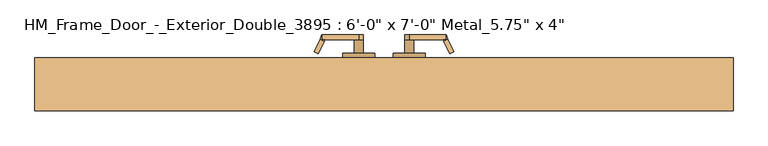
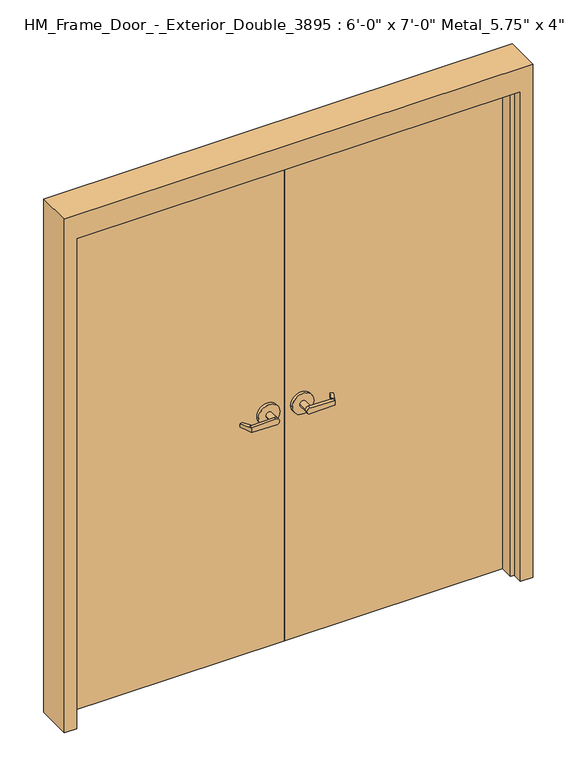
"""IFC4 building model written with IfcOpenShell, lengths in millimetres: door geometry."""

import ifcopenshell
import ifcopenshell.guid

model = None  # the IFC model being written
_history = None  # IfcOwnerHistory: only IFC2X3 demands one
_inside = {}  # id of a spatial element -> (the spatial element, [elements in it])
_under = {}  # id of a project, library or spatial element -> (it, [spatial elements below it])
_declared = {}  # id of a project -> (the project, [libraries it declares])
_typed = {}  # id of a type object -> (the type object, [elements of that type])
_made_of = {}  # id of a material, layer set ... -> (it, [elements and type objects made of it])


def new_model(schema):
    """Start an empty IFC model of exactly this schema.

    Asked for "IFC4X3", IfcOpenShell would pick the latest addendum, in which some entities
    have other attributes; the version numbers below select the first issue.
    IFC2X3 requires an IfcOwnerHistory on every rooted entity: one is made here for all.
    """
    global model, _history
    if schema == "IFC4X3":
        model = ifcopenshell.file(schema_version=(4, 3, 0, 0))
    else:
        model = ifcopenshell.file(schema=schema)
    _inside.clear()
    _under.clear()
    _declared.clear()
    _typed.clear()
    _made_of.clear()
    _history = None
    if model.schema == "IFC2X3":
        org = make("IfcOrganization", Name="unknown")
        user = make(
            "IfcPersonAndOrganization",
            ThePerson=make("IfcPerson", FamilyName="unknown"),
            TheOrganization=org,
        )
        app = make(
            "IfcApplication",
            ApplicationDeveloper=org,
            Version="unknown",
            ApplicationFullName="unknown",
            ApplicationIdentifier="unknown",
        )
        _history = make(
            "IfcOwnerHistory",
            OwningUser=user,
            OwningApplication=app,
            ChangeAction="ADDED",
            CreationDate=0,
        )
    return model


def make(cls, **values):
    """One entity of the class cls with the attributes given. An attribute that is None is left unset."""
    return model.create_entity(
        cls, **{name: value for name, value in values.items() if value is not None}
    )


def rooted(cls, **values):
    """An entity with a GlobalId (a new one), such as an element, a storey or a relation."""
    return make(cls, GlobalId=ifcopenshell.guid.new(), OwnerHistory=_history, **values)


def si_unit(unit_type, name, prefix=None):
    """IfcSIUnit, for example si_unit("LENGTHUNIT", "METRE", prefix="MILLI")."""
    return make("IfcSIUnit", UnitType=unit_type, Prefix=prefix, Name=name)


def assignment(units):
    """IfcUnitAssignment: the units of a project."""
    return None if units is None else make("IfcUnitAssignment", Units=units)


def point(xyz):
    """IfcCartesianPoint."""
    return None if xyz is None else make("IfcCartesianPoint", Coordinates=xyz)


def direction(xyz):
    """IfcDirection."""
    return None if xyz is None else make("IfcDirection", DirectionRatios=xyz)


def frame(location, z_axis=None, x_axis=None):
    """IfcAxis2Placement3D, a coordinate frame: its origin and axes. An axis left out is left unset."""
    return make(
        "IfcAxis2Placement3D",
        Location=point(location),
        Axis=direction(z_axis),
        RefDirection=direction(x_axis),
    )


def origin():
    """The frame at (0, 0, 0) with its axes left unset."""
    return frame((0.0, 0.0, 0.0))


def origin_with_axes():
    """The frame at (0, 0, 0) with the z axis (0, 0, 1) and the x axis (1, 0, 0) written out."""
    return frame((0.0, 0.0, 0.0), z_axis=(0.0, 0.0, 1.0), x_axis=(1.0, 0.0, 0.0))


def place(relative_to, where):
    """IfcLocalPlacement: puts the frame where relative to a parent placement (None: the world)."""
    return make(
        "IfcLocalPlacement", PlacementRelTo=relative_to, RelativePlacement=where
    )


def context(
    kind, dimensions, precision=None, world=None, true_north=None, identifier=None
):
    """IfcGeometricRepresentationContext, for example the 3D "Model" context."""
    return make(
        "IfcGeometricRepresentationContext",
        ContextIdentifier=identifier,
        ContextType=kind,
        CoordinateSpaceDimension=dimensions,
        Precision=precision,
        WorldCoordinateSystem=world,
        TrueNorth=true_north,
    )


def project(units=None, contexts=None):
    """IfcProject with its units and contexts."""
    return rooted(
        "IfcProject",
        Name="project",
        RepresentationContexts=contexts,
        UnitsInContext=assignment(units),
    )


def spatial(cls, under=None, at=None, **own):
    """A site, building, storey or space (cls), placed at a placement, below another one or the project."""
    s = rooted(cls, ObjectPlacement=at, **own)
    if under is not None:
        _under.setdefault(under.id(), (under, []))[1].append(s)
    return s


def polyline(points):
    """IfcPolyline through the points."""
    return make("IfcPolyline", Points=[point(p) for p in points])


def circle_curve(where, radius):
    """IfcCircle in the frame where."""
    return make("IfcCircle", Position=where, Radius=radius)


def outline(outer, holes=None, kind="AREA"):
    """IfcArbitraryClosedProfileDef: a profile drawn as a closed curve; with holes, ...WithVoids."""
    if holes is None:
        return make("IfcArbitraryClosedProfileDef", ProfileType=kind, OuterCurve=outer)
    return make(
        "IfcArbitraryProfileDefWithVoids",
        ProfileType=kind,
        OuterCurve=outer,
        InnerCurves=holes,
    )


def extrude(swept, where, along, depth):
    """IfcExtrudedAreaSolid: the profile swept, set in the frame where, extruded along a direction by depth."""
    return make(
        "IfcExtrudedAreaSolid",
        SweptArea=swept,
        Position=where,
        ExtrudedDirection=direction(along),
        Depth=depth,
    )


def faces_of(points, faces, orient=None, outer=None):
    """IfcFace entities. A face is a list of loops; a loop is a list of indices into points, from 0.

    orient and outer hold one flag for each loop. By default every Orientation is true, the
    first loop of a face is its IfcFaceOuterBound and the others are IfcFaceBound.
    """
    made = []
    for i, loops in enumerate(faces):
        bounds = []
        for j, loop in enumerate(loops):
            is_outer = j == 0 if outer is None else outer[i][j]
            bounds.append(
                make(
                    "IfcFaceOuterBound" if is_outer else "IfcFaceBound",
                    Bound=make("IfcPolyLoop", Polygon=[points[k] for k in loop]),
                    Orientation=True if orient is None else orient[i][j],
                )
            )
        made.append(make("IfcFace", Bounds=bounds))
    return made


def faceted_brep(points, faces, orient=None, outer=None, voids=None):
    """IfcFacetedBrep: a solid bounded by flat faces; with voids (closed shells), ...WithVoids."""
    shared = [point(p) for p in points]
    hull = make("IfcClosedShell", CfsFaces=faces_of(shared, faces, orient, outer))
    if voids is None:
        return make("IfcFacetedBrep", Outer=hull)
    return make(
        "IfcFacetedBrepWithVoids",
        Outer=hull,
        Voids=[
            make(cls, CfsFaces=faces_of(shared, fs, o, b)) for cls, fs, o, b in voids
        ],
    )


def shape(context_of_items, identifier, shape_type, items):
    """IfcShapeRepresentation: the items that make up one representation, for example the "Body"."""
    return make(
        "IfcShapeRepresentation",
        ContextOfItems=context_of_items,
        RepresentationIdentifier=identifier,
        RepresentationType=shape_type,
        Items=items,
    )


def source(mapping_origin, context_of_items, identifier, shape_type, items):
    """IfcRepresentationMap: a shape defined once, which mapped items show again and again."""
    return make(
        "IfcRepresentationMap",
        MappingOrigin=mapping_origin,
        MappedRepresentation=shape(context_of_items, identifier, shape_type, items),
    )


def transform(
    local_origin,
    x_axis=None,
    y_axis=None,
    z_axis=None,
    scale=None,
    scale2=None,
    scale3=None,
    uniform=True,
):
    """IfcCartesianTransformationOperator3D, or its non-uniform kind. x_axis, y_axis, z_axis: its Axis1, 2, 3."""
    if uniform:
        return make(
            "IfcCartesianTransformationOperator3D",
            Axis1=direction(x_axis),
            Axis2=direction(y_axis),
            LocalOrigin=point(local_origin),
            Scale=scale,
            Axis3=direction(z_axis),
        )
    return make(
        "IfcCartesianTransformationOperator3DnonUniform",
        Axis1=direction(x_axis),
        Axis2=direction(y_axis),
        LocalOrigin=point(local_origin),
        Scale=scale,
        Axis3=direction(z_axis),
        Scale2=scale2,
        Scale3=scale3,
    )


def mapped(mapping_source, mapping_target):
    """IfcMappedItem: shows the shape of a source again, moved by a transform."""
    return make(
        "IfcMappedItem", MappingSource=mapping_source, MappingTarget=mapping_target
    )


def made_of(thing, what):
    """Note that an element or type object is made of a material, layer set ...; save() writes the relation."""
    if what is not None:
        _made_of.setdefault(what.id(), (what, []))[1].append(thing)
    return thing


def element(
    cls,
    number,
    at=None,
    inside=None,
    cuts=None,
    type_object=None,
    material=None,
    context=None,
    identifier="Body",
    shape_type=None,
    held_by="IfcProductDefinitionShape",
    body=None,
    shapes=None,
    **own,
):
    """One element of the class cls, such as IfcWall. Its Tag is "e" and its number.

    at: its placement. inside: the storey or other place that contains it. cuts: it is an
    opening in that element (IfcRelVoidsElement). A single representation is given by context,
    identifier, shape_type and body (its items); several are given by shapes. held_by: the class
    of the entity that holds the representations. save() writes the other relations.
    """
    e = rooted(cls, Tag="e%d" % number, ObjectPlacement=at, **own)
    if body is not None:
        shapes = [shape(context, identifier, shape_type, body)]
    if shapes is not None:
        e.Representation = make(held_by, Representations=shapes)
    if inside is not None:
        _inside.setdefault(inside.id(), (inside, []))[1].append(e)
    if cuts is not None:
        rooted(
            "IfcRelVoidsElement", RelatingBuildingElement=cuts, RelatedOpeningElement=e
        )
    if type_object is not None:
        _typed.setdefault(type_object.id(), (type_object, []))[1].append(e)
    return made_of(e, material)


def aggregate(whole, parts):
    """IfcRelAggregates: a whole, such as a stair, and the parts it consists of."""
    return rooted("IfcRelAggregates", RelatingObject=whole, RelatedObjects=parts)


def save(model, path):
    """Write the relations noted so far, then the file.

    IfcRelAggregates (storeys below a building ...), IfcRelContainedInSpatialStructure (elements
    in a storey), IfcRelDefinesByType, IfcRelAssociatesMaterial and IfcRelDeclares: one each for
    every whole, place, type object, material and project.
    """
    for whole, parts in _under.values():
        aggregate(whole, parts)
    for where, things in _inside.values():
        rooted(
            "IfcRelContainedInSpatialStructure",
            RelatedElements=things,
            RelatingStructure=where,
        )
    for kind, things in _typed.values():
        rooted("IfcRelDefinesByType", RelatedObjects=things, RelatingType=kind)
    for what, things in _made_of.values():
        rooted("IfcRelAssociatesMaterial", RelatedObjects=things, RelatingMaterial=what)
    for by, libraries in _declared.values():
        rooted("IfcRelDeclares", RelatingContext=by, RelatedDefinitions=libraries)
    model.write(path)


def plane_surface(at):
    """IfcPlane: the flat surface through the origin of the frame at, square to its z axis."""
    return make("IfcPlane", Position=at)


def cylinder_surface(at, radius):
    """IfcCylindricalSurface: all points at the distance radius from the z axis of the frame at."""
    return make("IfcCylindricalSurface", Position=at, Radius=radius)


def advanced_brep(points, edges, surfaces, faces):
    """IfcAdvancedBrep: a solid bounded by faces that lie on surfaces and meet in shared edges.

    An edge is (start, end): straight between two places in points (the first is 0);
    or (start, end, curve); or (start, end, curve, False) where it runs against its curve.
    A face is (place in surfaces, loops), or (place, loops, False) where it looks against
    its surface's normal. A loop lists edges by number (the first is 1), with a minus sign
    where the edge is run from its end to its start. The first loop is the outer one.
    """
    corners = [point(p) for p in points]
    vertices = [make("IfcVertexPoint", VertexGeometry=c) for c in corners]
    made = []
    for start, end, *more in edges:
        made.append(
            make(
                "IfcEdgeCurve",
                EdgeStart=vertices[start],
                EdgeEnd=vertices[end],
                EdgeGeometry=more[0] if more else make("IfcPolyline", Points=[corners[start], corners[end]]),
                SameSense=more[1] if len(more) > 1 else True,
            )
        )
    hull = []
    for where, loops, *sense in faces:
        bounds = []
        for j, loop in enumerate(loops):
            ring = [make("IfcOrientedEdge", EdgeElement=made[abs(k) - 1], Orientation=k > 0) for k in loop]
            bounds.append(
                make(
                    "IfcFaceOuterBound" if j == 0 else "IfcFaceBound",
                    Bound=make("IfcEdgeLoop", EdgeList=ring),
                    Orientation=True,
                )
            )
        hull.append(make("IfcAdvancedFace", Bounds=bounds, FaceSurface=surfaces[where], SameSense=sense[0] if sense else True))
    return make("IfcAdvancedBrep", Outer=make("IfcClosedShell", CfsFaces=hull))


def door_4b5b926c(model_context):
    return source(origin(), model_context, "Body", "SolidModel", [
        advanced_brep(
        [(-291.892857, -104.0976392, 1025.525), (-275.7911012, -69.5673125, 1022.35), (-275.7911012, -69.5673125, 1009.65), (-291.892857, -104.0976392, 1006.475), (-293.8407923, -108.275, 1006.475), (-293.8407923, -108.275, 1025.525), (-285.75, -120.975, 1006.475), (-280.3827481, -109.4648911, 1006.475), (-264.2809923, -74.9345644, 1009.65), (-264.2809923, -74.9345644, 1022.35), (-280.3827481, -109.4648911, 1025.525), (-285.75, -120.975, 1025.525), (-285.75, -108.275, 1025.525), (-285.75, -108.275, 1006.475), (-386.9525418, -120.975, 1028.6937791), (-386.9525418, -120.975, 1003.3062209), (-386.9525418, -108.275, 1003.3062209), (-374.65, -108.275, 1016.0), (-386.9525418, -108.275, 1028.6937791), (-400.05, -108.275, 1016.0), (-400.05, -70.175, 1016.0), (-374.65, -70.175, 1016.0), (-431.8, -70.175, 1016.0), (-342.9, -70.175, 1016.0), (-431.8, -57.475, 1016.0), (-342.9, -57.475, 1016.0)],
        [
            (0, 1),
            (1, 2),
            (2, 3),
            (3, 4),
            (4, 5),
            (5, 0),
            (6, 7),
            (7, 8),
            (8, 9),
            (9, 10),
            (10, 11),
            (11, 6),
            (10, 0),
            (5, 12),
            (12, 11),
            (9, 1),
            (8, 2),
            (7, 3),
            (6, 13),
            (13, 4),
            (11, 14),
            (14, 15, circle_curve(frame((-387.35, -120.975, 1016.0), z_axis=(0.0, -1.0, 0.0), x_axis=(1.0, 0.0, 0.0)), 12.7)),
            (15, 6),
            (13, 16),
            (16, 17, circle_curve(frame((-387.35, -108.275, 1016.0), z_axis=(0.0, -1.0, 0.0), x_axis=(1.0, 0.0, 0.0)), 12.7)),
            (17, 18, circle_curve(frame((-387.35, -108.275, 1016.0), z_axis=(0.0, -1.0, 0.0), x_axis=(1.0, 0.0, 0.0)), 12.7)),
            (18, 12),
            (18, 14),
            (18, 19, circle_curve(frame((-387.35, -108.275, 1016.0), z_axis=(0.0, -1.0, 0.0), x_axis=(1.0, 0.0, 0.0)), 12.7)),
            (19, 16, circle_curve(frame((-387.35, -108.275, 1016.0), z_axis=(0.0, -1.0, 0.0), x_axis=(1.0, 0.0, 0.0)), 12.7)),
            (16, 15),
            (19, 20),
            (20, 21, circle_curve(frame((-387.35, -70.175, 1016.0), z_axis=(0.0, -1.0, 0.0), x_axis=(1.0, 0.0, 0.0)), 12.7)),
            (21, 17),
            (21, 20, circle_curve(frame((-387.35, -70.175, 1016.0), z_axis=(0.0, -1.0, 0.0), x_axis=(1.0, 0.0, 0.0)), 12.7)),
            (22, 23, circle_curve(frame((-387.35, -70.175, 1016.0), z_axis=(0.0, -1.0, 0.0), x_axis=(1.0, 0.0, 0.0)), 44.45)),
            (23, 22, circle_curve(frame((-387.35, -70.175, 1016.0), z_axis=(0.0, -1.0, 0.0), x_axis=(1.0, 0.0, 0.0)), 44.45)),
            (24, 25, circle_curve(frame((-387.35, -57.475, 1016.0), z_axis=(0.0, 1.0, 0.0), x_axis=(1.0, 0.0, 0.0)), 44.45)),
            (25, 24, circle_curve(frame((-387.35, -57.475, 1016.0), z_axis=(0.0, 1.0, 0.0), x_axis=(1.0, 0.0, 0.0)), 44.45)),
            (22, 24),
            (25, 23),
        ],
        [
            plane_surface(frame((-297.2601089, -115.6077481, 1025.525), z_axis=(-0.9063077870366494, 0.4226182617407007, 0.0), x_axis=(0.0, 0.0, 1.0))),
            plane_surface(frame((-285.75, -120.975, 1025.525), z_axis=(0.9063077870366494, -0.4226182617407007, 0.0), x_axis=(0.0, 0.0, -1.0))),
            plane_surface(frame((-297.2601089, -115.6077481, 1025.525), z_axis=(0.0, 0.0, 1.0000000000000002), x_axis=(0.9063077870366494, -0.42261826174070094, 0.0))),
            plane_surface(frame((-291.892857, -104.0976392, 1025.525), z_axis=(0.035096536341203244, 0.0752647650696388, 0.9965457582448801), x_axis=(0.9063077870366494, -0.42261826174070094, 0.0))),
            plane_surface(frame((-275.7911012, -69.5673125, 1022.35), z_axis=(0.42261826174070094, 0.9063077870366494, 0.0), x_axis=(0.9063077870366494, -0.42261826174070094, 0.0))),
            plane_surface(frame((-275.7911012, -69.5673125, 1009.65), z_axis=(0.03509653634121679, 0.07526476506964087, -0.9965457582448793), x_axis=(0.9063077870366495, -0.42261826174070033, 0.0))),
            plane_surface(frame((-291.892857, -104.0976392, 1006.475), z_axis=(0.0, 0.0, -1.0000000000000002), x_axis=(0.9063077870366494, -0.42261826174070094, 0.0))),
            plane_surface(frame((-285.75, -120.975, 1025.525), z_axis=(0.0, -1.0000000000000002, 0.0), x_axis=(-0.9995101626549143, 0.0, 0.0312959222511001))),
            plane_surface(frame((-285.75, -108.275, 1025.525), z_axis=(0.0, 1.0000000000000002, 0.0), x_axis=(0.9995101626549143, 0.0, -0.0312959222511001))),
            plane_surface(frame((-285.75, -120.975, 1025.525), z_axis=(0.0312959222511001, 0.0, 0.9995101626549143), x_axis=(0.0, 1.0, 0.0))),
            cylinder_surface(frame((-387.35, -108.275, 1016.0), z_axis=(0.0, -1.0, 0.0), x_axis=(1.0, 0.0, 0.0)), 12.7),
            plane_surface(frame((-386.9525418, -120.975, 1003.3062209), z_axis=(0.03129592225110919, 0.0, -0.999510162654914), x_axis=(0.0, 1.0, 0.0))),
            cylinder_surface(frame((-387.35, -70.175, 1016.0), z_axis=(0.0, -1.0, 0.0), x_axis=(1.0, 0.0, 0.0)), 12.7),
            plane_surface(frame((-342.9, -70.175, 1016.0), z_axis=(0.0, -1.0, 0.0), x_axis=(0.0, 0.0, 1.0))),
            plane_surface(frame((-342.9, -57.475, 1016.0), z_axis=(0.0, 1.0, 0.0), x_axis=(0.0, 0.0, -1.0))),
            cylinder_surface(frame((-387.35, -57.475, 1016.0), z_axis=(0.0, -1.0, 0.0), x_axis=(1.0, 0.0, 0.0)), 44.45),
        ],
        [
            (0, [[1, 2, 3, 4, 5, 6]]),
            (1, [[7, 8, 9, 10, 11, 12]]),
            (2, [[-11, 13, -6, 14, 15]]),
            (3, [[-1, -13, -10, 16]]),
            (4, [[-2, -16, -9, 17]]),
            (5, [[-3, -17, -8, 18]]),
            (6, [[-7, 19, 20, -4, -18]]),
            (7, [[21, 22, 23, -12]]),
            (8, [[24, 25, 26, 27, -14, -5, -20]]),
            (9, [[-21, -15, -27, 28]]),
            (10, [[-22, -28, 29, 30, 31]]),
            (11, [[-23, -31, -24, -19]]),
            (12, [[32, 33, 34, -25, -30]]),
            (12, [[-32, -29, -26, -34, 35]]),
            (13, [[36, 37], [-33, -35]]),
            (14, [[38, 39]]),
            (15, [[-36, 40, -39, 41]]),
            (15, [[-37, -41, -38, -40]]),
        ],
    ),
        advanced_brep(
        [(-622.507143, -104.0976392, 1006.475), (-638.6088988, -69.5673125, 1009.65), (-638.6088988, -69.5673125, 1022.35), (-622.507143, -104.0976392, 1025.525), (-620.5592077, -108.275, 1025.525), (-620.5592077, -108.275, 1006.475), (-628.65, -120.975, 1025.525), (-634.0172519, -109.4648911, 1025.525), (-650.1190077, -74.9345644, 1022.35), (-650.1190077, -74.9345644, 1009.65), (-634.0172519, -109.4648911, 1006.475), (-628.65, -120.975, 1006.475), (-628.65, -108.275, 1006.475), (-628.65, -108.275, 1025.525), (-527.4474582, -120.975, 1003.3062209), (-527.4474582, -120.975, 1028.6937791), (-527.4474582, -108.275, 1028.6937791), (-539.75, -108.275, 1016.0), (-527.4474582, -108.275, 1003.3062209), (-514.35, -108.275, 1016.0), (-514.35, -70.175, 1016.0), (-539.75, -70.175, 1016.0), (-482.6, -70.175, 1016.0), (-571.5, -70.175, 1016.0), (-482.6, -57.475, 1016.0), (-571.5, -57.475, 1016.0)],
        [
            (0, 1),
            (1, 2),
            (2, 3),
            (3, 4),
            (4, 5),
            (5, 0),
            (6, 7),
            (7, 8),
            (8, 9),
            (9, 10),
            (10, 11),
            (11, 6),
            (10, 0),
            (5, 12),
            (12, 11),
            (9, 1),
            (8, 2),
            (7, 3),
            (6, 13),
            (13, 4),
            (11, 14),
            (14, 15, circle_curve(frame((-527.05, -120.975, 1016.0), z_axis=(0.0, -1.0, 0.0), x_axis=(-1.0, 0.0, 0.0)), 12.7)),
            (15, 6),
            (13, 16),
            (16, 17, circle_curve(frame((-527.05, -108.275, 1016.0), z_axis=(0.0, -1.0, 0.0), x_axis=(-1.0, 0.0, 0.0)), 12.7)),
            (17, 18, circle_curve(frame((-527.05, -108.275, 1016.0), z_axis=(0.0, -1.0, 0.0), x_axis=(-1.0, 0.0, 0.0)), 12.7)),
            (18, 12),
            (18, 14),
            (18, 19, circle_curve(frame((-527.05, -108.275, 1016.0), z_axis=(0.0, -1.0, 0.0), x_axis=(-1.0, 0.0, 0.0)), 12.7)),
            (19, 16, circle_curve(frame((-527.05, -108.275, 1016.0), z_axis=(0.0, -1.0, 0.0), x_axis=(-1.0, 0.0, 0.0)), 12.7)),
            (16, 15),
            (19, 20),
            (20, 21, circle_curve(frame((-527.05, -70.175, 1016.0), z_axis=(0.0, -1.0, 0.0), x_axis=(-1.0, 0.0, 0.0)), 12.7)),
            (21, 17),
            (21, 20, circle_curve(frame((-527.05, -70.175, 1016.0), z_axis=(0.0, -1.0, 0.0), x_axis=(-1.0, 0.0, 0.0)), 12.7)),
            (22, 23, circle_curve(frame((-527.05, -70.175, 1016.0), z_axis=(0.0, -1.0, 0.0), x_axis=(-1.0, 0.0, 0.0)), 44.45)),
            (23, 22, circle_curve(frame((-527.05, -70.175, 1016.0), z_axis=(0.0, -1.0, 0.0), x_axis=(-1.0, 0.0, 0.0)), 44.45)),
            (24, 25, circle_curve(frame((-527.05, -57.475, 1016.0), z_axis=(0.0, 1.0, 0.0), x_axis=(-1.0, 0.0, 0.0)), 44.45)),
            (25, 24, circle_curve(frame((-527.05, -57.475, 1016.0), z_axis=(0.0, 1.0, 0.0), x_axis=(-1.0, 0.0, 0.0)), 44.45)),
            (22, 24),
            (25, 23),
        ],
        [
            plane_surface(frame((-617.1398911, -115.6077481, 1006.475), z_axis=(0.9063077870366494, 0.4226182617407007, 0.0), x_axis=(0.0, 0.0, -1.0))),
            plane_surface(frame((-628.65, -120.975, 1006.475), z_axis=(-0.9063077870366494, -0.4226182617407007, 0.0), x_axis=(0.0, 0.0, 1.0))),
            plane_surface(frame((-617.1398911, -115.6077481, 1006.475), z_axis=(0.0, 0.0, -1.0000000000000002), x_axis=(-0.9063077870366494, -0.42261826174070094, 0.0))),
            plane_surface(frame((-622.507143, -104.0976392, 1006.475), z_axis=(-0.035096536341209544, 0.07526476506963878, -0.9965457582448799), x_axis=(-0.9063077870366494, -0.42261826174070094, 0.0))),
            plane_surface(frame((-638.6088988, -69.5673125, 1009.65), z_axis=(-0.42261826174070094, 0.9063077870366494, 0.0), x_axis=(-0.9063077870366494, -0.42261826174070094, 0.0))),
            plane_surface(frame((-638.6088988, -69.5673125, 1022.35), z_axis=(-0.03509653634121048, 0.0752647650696409, 0.9965457582448796), x_axis=(-0.9063077870366495, -0.42261826174070033, 0.0))),
            plane_surface(frame((-622.507143, -104.0976392, 1025.525), z_axis=(0.0, 0.0, 1.0000000000000002), x_axis=(-0.9063077870366494, -0.42261826174070094, 0.0))),
            plane_surface(frame((-628.65, -120.975, 1006.475), z_axis=(0.0, -1.0, 0.0), x_axis=(0.9995101626549141, 0.0, -0.03129592225110644))),
            plane_surface(frame((-628.65, -108.275, 1006.475), z_axis=(0.0, 1.0, 0.0), x_axis=(-0.9995101626549141, 0.0, 0.03129592225110644))),
            plane_surface(frame((-628.65, -120.975, 1006.475), z_axis=(-0.03129592225110644, 0.0, -0.9995101626549141), x_axis=(0.0, 1.0, 0.0))),
            cylinder_surface(frame((-527.05, -108.275, 1016.0), z_axis=(0.0, -1.0, 0.0), x_axis=(-1.0, 0.0, 0.0)), 12.7),
            plane_surface(frame((-527.4474582, -120.975, 1028.6937791), z_axis=(-0.03129592225110286, 0.0, 0.9995101626549142), x_axis=(0.0, 1.0, 0.0))),
            cylinder_surface(frame((-527.05, -70.175, 1016.0), z_axis=(0.0, -1.0, 0.0), x_axis=(-1.0, 0.0, 0.0)), 12.7),
            plane_surface(frame((-571.5, -70.175, 1016.0), z_axis=(0.0, -1.0, 0.0), x_axis=(0.0, 0.0, -1.0))),
            plane_surface(frame((-571.5, -57.475, 1016.0), z_axis=(0.0, 1.0, 0.0), x_axis=(0.0, 0.0, 1.0))),
            cylinder_surface(frame((-527.05, -57.475, 1016.0), z_axis=(0.0, -1.0, 0.0), x_axis=(-1.0, 0.0, 0.0)), 44.45),
        ],
        [
            (0, [[1, 2, 3, 4, 5, 6]]),
            (1, [[7, 8, 9, 10, 11, 12]]),
            (2, [[-11, 13, -6, 14, 15]]),
            (3, [[-1, -13, -10, 16]]),
            (4, [[-2, -16, -9, 17]]),
            (5, [[-3, -17, -8, 18]]),
            (6, [[-7, 19, 20, -4, -18]]),
            (7, [[21, 22, 23, -12]]),
            (8, [[24, 25, 26, 27, -14, -5, -20]]),
            (9, [[-21, -15, -27, 28]]),
            (10, [[-22, -28, 29, 30, 31]]),
            (11, [[-23, -31, -24, -19]]),
            (12, [[32, 33, 34, -25, -30]]),
            (12, [[-32, -29, -26, -34, 35]]),
            (13, [[36, 37], [-33, -35]]),
            (14, [[38, 39]]),
            (15, [[-36, 40, -39, 41]]),
            (15, [[-37, -41, -38, -40]]),
        ],
    ),
        advanced_brep(
        [(-291.892857, 33.5976392, 1006.475), (-275.7911012, -0.9326875, 1009.65), (-275.7911012, -0.9326875, 1022.35), (-291.892857, 33.5976392, 1025.525), (-293.8407923, 37.775, 1025.525), (-293.8407923, 37.775, 1006.475), (-285.75, 50.475, 1025.525), (-280.3827481, 38.9648911, 1025.525), (-264.2809923, 4.4345644, 1022.35), (-264.2809923, 4.4345644, 1009.65), (-280.3827481, 38.9648911, 1006.475), (-285.75, 50.475, 1006.475), (-285.75, 37.775, 1006.475), (-285.75, 37.775, 1025.525), (-386.9525418, 50.475, 1003.3062209), (-386.9525418, 50.475, 1028.6937791), (-386.9525418, 37.775, 1028.6937791), (-374.65, 37.775, 1016.0), (-386.9525418, 37.775, 1003.3062209), (-400.05, 37.775, 1016.0), (-400.05, -0.325, 1016.0), (-374.65, -0.325, 1016.0), (-431.8, -0.325, 1016.0), (-342.9, -0.325, 1016.0), (-431.8, -13.025, 1016.0), (-342.9, -13.025, 1016.0)],
        [
            (0, 1),
            (1, 2),
            (2, 3),
            (3, 4),
            (4, 5),
            (5, 0),
            (6, 7),
            (7, 8),
            (8, 9),
            (9, 10),
            (10, 11),
            (11, 6),
            (10, 0),
            (5, 12),
            (12, 11),
            (9, 1),
            (8, 2),
            (7, 3),
            (6, 13),
            (13, 4),
            (11, 14),
            (14, 15, circle_curve(frame((-387.35, 50.475, 1016.0), z_axis=(0.0, 1.0, 0.0), x_axis=(1.0, 0.0, 0.0)), 12.7)),
            (15, 6),
            (13, 16),
            (16, 17, circle_curve(frame((-387.35, 37.775, 1016.0), z_axis=(0.0, 1.0, 0.0), x_axis=(1.0, 0.0, 0.0)), 12.7)),
            (17, 18, circle_curve(frame((-387.35, 37.775, 1016.0), z_axis=(0.0, 1.0, 0.0), x_axis=(1.0, 0.0, 0.0)), 12.7)),
            (18, 12),
            (18, 14),
            (18, 19, circle_curve(frame((-387.35, 37.775, 1016.0), z_axis=(0.0, 1.0, 0.0), x_axis=(1.0, 0.0, 0.0)), 12.7)),
            (19, 16, circle_curve(frame((-387.35, 37.775, 1016.0), z_axis=(0.0, 1.0, 0.0), x_axis=(1.0, 0.0, 0.0)), 12.7)),
            (16, 15),
            (19, 20),
            (20, 21, circle_curve(frame((-387.35, -0.325, 1016.0), z_axis=(0.0, 1.0, 0.0), x_axis=(1.0, 0.0, 0.0)), 12.7)),
            (21, 17),
            (21, 20, circle_curve(frame((-387.35, -0.325, 1016.0), z_axis=(0.0, 1.0, 0.0), x_axis=(1.0, 0.0, 0.0)), 12.7)),
            (22, 23, circle_curve(frame((-387.35, -0.325, 1016.0), z_axis=(0.0, 1.0, 0.0), x_axis=(1.0, 0.0, 0.0)), 44.45)),
            (23, 22, circle_curve(frame((-387.35, -0.325, 1016.0), z_axis=(0.0, 1.0, 0.0), x_axis=(1.0, 0.0, 0.0)), 44.45)),
            (24, 25, circle_curve(frame((-387.35, -13.025, 1016.0), z_axis=(0.0, -1.0, 0.0), x_axis=(1.0, 0.0, 0.0)), 44.45)),
            (25, 24, circle_curve(frame((-387.35, -13.025, 1016.0), z_axis=(0.0, -1.0, 0.0), x_axis=(1.0, 0.0, 0.0)), 44.45)),
            (22, 24),
            (25, 23),
        ],
        [
            plane_surface(frame((-297.2601089, 45.1077481, 1006.475), z_axis=(-0.9063077870366494, -0.4226182617407007, 0.0), x_axis=(0.0, 0.0, -1.0))),
            plane_surface(frame((-285.75, 50.475, 1006.475), z_axis=(0.9063077870366494, 0.4226182617407007, 0.0), x_axis=(0.0, 0.0, 1.0))),
            plane_surface(frame((-297.2601089, 45.1077481, 1006.475), z_axis=(0.0, 0.0, -1.0000000000000002), x_axis=(0.9063077870366494, 0.42261826174070094, 0.0))),
            plane_surface(frame((-291.892857, 33.5976392, 1006.475), z_axis=(0.0350965363412159, -0.0752647650696388, -0.9965457582448797), x_axis=(0.9063077870366494, 0.42261826174070094, 0.0))),
            plane_surface(frame((-275.7911012, -0.9326875, 1009.65), z_axis=(0.42261826174070094, -0.9063077870366494, 0.0), x_axis=(0.9063077870366494, 0.42261826174070094, 0.0))),
            plane_surface(frame((-275.7911012, -0.9326875, 1022.35), z_axis=(0.035096536341204125, -0.07526476506964087, 0.9965457582448798), x_axis=(0.9063077870366495, 0.42261826174070033, 0.0))),
            plane_surface(frame((-291.892857, 33.5976392, 1025.525), z_axis=(0.0, 0.0, 1.0000000000000002), x_axis=(0.9063077870366494, 0.42261826174070094, 0.0))),
            plane_surface(frame((-285.75, 50.475, 1006.475), z_axis=(0.0, 1.0, 0.0), x_axis=(-0.9995101626549139, 0.0, -0.03129592225111281))),
            plane_surface(frame((-285.75, 37.775, 1006.475), z_axis=(0.0, -1.0, 0.0), x_axis=(0.9995101626549139, 0.0, 0.03129592225111281))),
            plane_surface(frame((-285.75, 50.475, 1006.475), z_axis=(0.03129592225111281, 0.0, -0.9995101626549139), x_axis=(0.0, -1.0, 0.0))),
            cylinder_surface(frame((-387.35, 37.775, 1016.0), z_axis=(0.0, 1.0, 0.0), x_axis=(1.0, 0.0, 0.0)), 12.7),
            plane_surface(frame((-386.9525418, 50.475, 1028.6937791), z_axis=(0.03129592225109649, 0.0, 0.9995101626549144), x_axis=(0.0, -1.0, 0.0))),
            cylinder_surface(frame((-387.35, -0.325, 1016.0), z_axis=(0.0, 1.0, 0.0), x_axis=(1.0, 0.0, 0.0)), 12.7),
            plane_surface(frame((-342.9, -0.325, 1016.0), z_axis=(0.0, 1.0, 0.0), x_axis=(0.0, 0.0, -1.0))),
            plane_surface(frame((-342.9, -13.025, 1016.0), z_axis=(0.0, -1.0, 0.0), x_axis=(0.0, 0.0, 1.0))),
            cylinder_surface(frame((-387.35, -13.025, 1016.0), z_axis=(0.0, 1.0, 0.0), x_axis=(1.0, 0.0, 0.0)), 44.45),
        ],
        [
            (0, [[1, 2, 3, 4, 5, 6]]),
            (1, [[7, 8, 9, 10, 11, 12]]),
            (2, [[-11, 13, -6, 14, 15]]),
            (3, [[-1, -13, -10, 16]]),
            (4, [[-2, -16, -9, 17]]),
            (5, [[-3, -17, -8, 18]]),
            (6, [[-7, 19, 20, -4, -18]]),
            (7, [[21, 22, 23, -12]]),
            (8, [[24, 25, 26, 27, -14, -5, -20]]),
            (9, [[-21, -15, -27, 28]]),
            (10, [[-22, -28, 29, 30, 31]]),
            (11, [[-23, -31, -24, -19]]),
            (12, [[32, 33, 34, -25, -30]]),
            (12, [[-32, -29, -26, -34, 35]]),
            (13, [[36, 37], [-33, -35]]),
            (14, [[38, 39]]),
            (15, [[-36, 40, -39, 41]]),
            (15, [[-37, -41, -38, -40]]),
        ],
    ),
        advanced_brep(
        [(-622.507143, 33.5976392, 1025.525), (-638.6088988, -0.9326875, 1022.35), (-638.6088988, -0.9326875, 1009.65), (-622.507143, 33.5976392, 1006.475), (-620.5592077, 37.775, 1006.475), (-620.5592077, 37.775, 1025.525), (-628.65, 50.475, 1006.475), (-634.0172519, 38.9648911, 1006.475), (-650.1190077, 4.4345644, 1009.65), (-650.1190077, 4.4345644, 1022.35), (-634.0172519, 38.9648911, 1025.525), (-628.65, 50.475, 1025.525), (-628.65, 37.775, 1025.525), (-628.65, 37.775, 1006.475), (-527.4474582, 50.475, 1028.6937791), (-527.4474582, 50.475, 1003.3062209), (-527.4474582, 37.775, 1003.3062209), (-539.75, 37.775, 1016.0), (-527.4474582, 37.775, 1028.6937791), (-514.35, 37.775, 1016.0), (-514.35, -0.325, 1016.0), (-539.75, -0.325, 1016.0), (-482.6, -0.325, 1016.0), (-571.5, -0.325, 1016.0), (-482.6, -13.025, 1016.0), (-571.5, -13.025, 1016.0)],
        [
            (0, 1),
            (1, 2),
            (2, 3),
            (3, 4),
            (4, 5),
            (5, 0),
            (6, 7),
            (7, 8),
            (8, 9),
            (9, 10),
            (10, 11),
            (11, 6),
            (10, 0),
            (5, 12),
            (12, 11),
            (9, 1),
            (8, 2),
            (7, 3),
            (6, 13),
            (13, 4),
            (11, 14),
            (14, 15, circle_curve(frame((-527.05, 50.475, 1016.0), z_axis=(0.0, 1.0, 0.0), x_axis=(-1.0, 0.0, 0.0)), 12.7)),
            (15, 6),
            (13, 16),
            (16, 17, circle_curve(frame((-527.05, 37.775, 1016.0), z_axis=(0.0, 1.0, 0.0), x_axis=(-1.0, 0.0, 0.0)), 12.7)),
            (17, 18, circle_curve(frame((-527.05, 37.775, 1016.0), z_axis=(0.0, 1.0, 0.0), x_axis=(-1.0, 0.0, 0.0)), 12.7)),
            (18, 12),
            (18, 14),
            (18, 19, circle_curve(frame((-527.05, 37.775, 1016.0), z_axis=(0.0, 1.0, 0.0), x_axis=(-1.0, 0.0, 0.0)), 12.7)),
            (19, 16, circle_curve(frame((-527.05, 37.775, 1016.0), z_axis=(0.0, 1.0, 0.0), x_axis=(-1.0, 0.0, 0.0)), 12.7)),
            (16, 15),
            (19, 20),
            (20, 21, circle_curve(frame((-527.05, -0.325, 1016.0), z_axis=(0.0, 1.0, 0.0), x_axis=(-1.0, 0.0, 0.0)), 12.7)),
            (21, 17),
            (21, 20, circle_curve(frame((-527.05, -0.325, 1016.0), z_axis=(0.0, 1.0, 0.0), x_axis=(-1.0, 0.0, 0.0)), 12.7)),
            (22, 23, circle_curve(frame((-527.05, -0.325, 1016.0), z_axis=(0.0, 1.0, 0.0), x_axis=(-1.0, 0.0, 0.0)), 44.45)),
            (23, 22, circle_curve(frame((-527.05, -0.325, 1016.0), z_axis=(0.0, 1.0, 0.0), x_axis=(-1.0, 0.0, 0.0)), 44.45)),
            (24, 25, circle_curve(frame((-527.05, -13.025, 1016.0), z_axis=(0.0, -1.0, 0.0), x_axis=(-1.0, 0.0, 0.0)), 44.45)),
            (25, 24, circle_curve(frame((-527.05, -13.025, 1016.0), z_axis=(0.0, -1.0, 0.0), x_axis=(-1.0, 0.0, 0.0)), 44.45)),
            (22, 24),
            (25, 23),
        ],
        [
            plane_surface(frame((-617.1398911, 45.1077481, 1025.525), z_axis=(0.9063077870366494, -0.4226182617407007, 0.0), x_axis=(0.0, 0.0, 1.0))),
            plane_surface(frame((-628.65, 50.475, 1025.525), z_axis=(-0.9063077870366494, 0.4226182617407007, 0.0), x_axis=(0.0, 0.0, -1.0))),
            plane_surface(frame((-617.1398911, 45.1077481, 1025.525), z_axis=(0.0, 0.0, 1.0000000000000002), x_axis=(-0.9063077870366494, 0.42261826174070094, 0.0))),
            plane_surface(frame((-622.507143, 33.5976392, 1025.525), z_axis=(-0.03509653634120958, -0.07526476506963878, 0.9965457582448799), x_axis=(-0.9063077870366494, 0.42261826174070094, 0.0))),
            plane_surface(frame((-638.6088988, -0.9326875, 1022.35), z_axis=(-0.42261826174070094, -0.9063077870366494, 0.0), x_axis=(-0.9063077870366494, 0.42261826174070094, 0.0))),
            plane_surface(frame((-638.6088988, -0.9326875, 1009.65), z_axis=(-0.035096536341210446, -0.0752647650696409, -0.9965457582448796), x_axis=(-0.9063077870366495, 0.42261826174070033, 0.0))),
            plane_surface(frame((-622.507143, 33.5976392, 1006.475), z_axis=(0.0, 0.0, -1.0000000000000002), x_axis=(-0.9063077870366494, 0.42261826174070094, 0.0))),
            plane_surface(frame((-628.65, 50.475, 1025.525), z_axis=(0.0, 1.0, 0.0), x_axis=(0.9995101626549141, 0.0, 0.03129592225110647))),
            plane_surface(frame((-628.65, 37.775, 1025.525), z_axis=(0.0, -1.0, 0.0), x_axis=(-0.9995101626549141, 0.0, -0.03129592225110647))),
            plane_surface(frame((-628.65, 50.475, 1025.525), z_axis=(-0.03129592225110647, 0.0, 0.9995101626549141), x_axis=(0.0, -1.0, 0.0))),
            cylinder_surface(frame((-527.05, 37.775, 1016.0), z_axis=(0.0, 1.0, 0.0), x_axis=(-1.0, 0.0, 0.0)), 12.7),
            plane_surface(frame((-527.4474582, 50.475, 1003.3062209), z_axis=(-0.03129592225110282, 0.0, -0.9995101626549142), x_axis=(0.0, -1.0, 0.0))),
            cylinder_surface(frame((-527.05, -0.325, 1016.0), z_axis=(0.0, 1.0, 0.0), x_axis=(-1.0, 0.0, 0.0)), 12.7),
            plane_surface(frame((-571.5, -0.325, 1016.0), z_axis=(0.0, 1.0, 0.0), x_axis=(0.0, 0.0, 1.0))),
            plane_surface(frame((-571.5, -13.025, 1016.0), z_axis=(0.0, -1.0, 0.0), x_axis=(0.0, 0.0, -1.0))),
            cylinder_surface(frame((-527.05, -13.025, 1016.0), z_axis=(0.0, 1.0, 0.0), x_axis=(-1.0, 0.0, 0.0)), 44.45),
        ],
        [
            (0, [[1, 2, 3, 4, 5, 6]]),
            (1, [[7, 8, 9, 10, 11, 12]]),
            (2, [[-11, 13, -6, 14, 15]]),
            (3, [[-1, -13, -10, 16]]),
            (4, [[-2, -16, -9, 17]]),
            (5, [[-3, -17, -8, 18]]),
            (6, [[-7, 19, 20, -4, -18]]),
            (7, [[21, 22, 23, -12]]),
            (8, [[24, 25, 26, 27, -14, -5, -20]]),
            (9, [[-21, -15, -27, 28]]),
            (10, [[-22, -28, 29, 30, 31]]),
            (11, [[-23, -31, -24, -19]]),
            (12, [[32, 33, 34, -25, -30]]),
            (12, [[-32, -29, -26, -34, 35]]),
            (13, [[36, 37], [-33, -35]]),
            (14, [[38, 39]]),
            (15, [[-36, 40, -39, 41]]),
            (15, [[-37, -41, -38, -40]]),
        ],
    ),
        extrude(outline(polyline([(-457.2, -13.025), (457.2, -13.025), (457.2, -57.475), (-457.2, -57.475), (-457.2, -13.025)])), origin_with_axes(), (0.0, 0.0, 1.0), 2133.6),
        extrude(outline(polyline([(-1371.6, -13.025), (-457.2, -13.025), (-457.2, -57.475), (-1371.6, -57.475), (-1371.6, -13.025)])), origin_with_axes(), (0.0, 0.0, 1.0), 2133.6),
        faceted_brep([(-1371.6, -13.025, 0.0), (-1371.6, -57.475, 0.0), (-1355.725, -57.475, 0.0), (-1355.725, -114.625, 0.0), (-1371.6, -114.625, 0.0), (-1371.6, -159.075, 0.0), (-1422.4, -159.075, 0.0), (-1422.4, -13.025, 0.0), (-1371.6, -13.025, 2133.6), (-1371.6, -57.475, 2133.6), (457.2, -57.475, 2133.6), (457.2, -57.475, 0.0), (441.325, -57.475, 0.0), (441.325, -57.475, 2117.725), (-1355.725, -57.475, 2117.725), (-1355.725, -114.625, 2117.725), (441.325, -114.625, 2117.725), (441.325, -114.625, 0.0), (457.2, -114.625, 0.0), (457.2, -114.625, 2133.6), (-1371.6, -114.625, 2133.6), (-1371.6, -159.075, 2133.6), (457.2, -159.075, 2133.6), (457.2, -159.075, 0.0), (508.0, -159.075, 0.0), (508.0, -159.075, 2235.2), (-1422.4, -159.075, 2235.2), (-1422.4, -13.025, 2235.2), (508.0, -13.025, 2235.2), (508.0, -13.025, 0.0), (457.2, -13.025, 0.0), (457.2, -13.025, 2133.6)], [[[0, 1, 2, 3, 4, 5, 6, 7]], [[1, 0, 8, 9]], [[2, 1, 9, 10, 11, 12, 13, 14]], [[3, 2, 14, 15]], [[4, 3, 15, 16, 17, 18, 19, 20]], [[5, 4, 20, 21]], [[6, 5, 21, 22, 23, 24, 25, 26]], [[7, 6, 26, 27]], [[0, 7, 27, 28, 29, 30, 31, 8]], [[30, 11, 10, 31]], [[30, 29, 24, 23, 18, 17, 12, 11]], [[12, 17, 16, 13]], [[19, 18, 23, 22]], [[29, 28, 25, 24]], [[25, 28, 27, 26]], [[21, 20, 19, 22]], [[15, 14, 13, 16]], [[10, 9, 8, 31]]]),
    ])


if __name__ == "__main__":
    model = new_model("IFC4")
    model_context = context("Model", 3, world=origin())
    ifc_project = project(units=[si_unit("LENGTHUNIT", "METRE", prefix="MILLI")], contexts=[model_context])
    site = spatial("IfcSite", under=ifc_project)
    building = spatial("IfcBuilding", under=site)
    placement = place(None, origin())
    door_shape = door_4b5b926c(model_context)
    element("IfcDoor", 1, ObjectType="HM_Frame_Door_-_Exterior_Double_3895 : 6'-0\" x 7'-0\" Metal_5.75\" x 4\"", at=placement, inside=building, context=model_context, shape_type="MappedRepresentation", body=[
        mapped(door_shape, transform((0.0, 0.0, 0.0), x_axis=(1.0, 0.0, 0.0), y_axis=(0.0, 1.0, 0.0), z_axis=(0.0, 0.0, 1.0))),
    ])
    save(model, "model.ifc")
